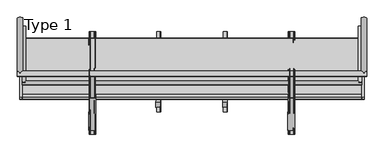
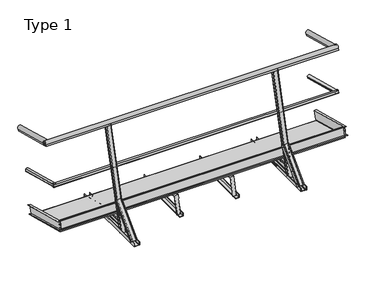
"""IFC4 building model written with IfcOpenShell, lengths in millimetres: proxy geometry, Type 1."""

from ifc_helpers import new_model, si_unit, point, frame, frame_2d, origin, place, context, project, spatial, polyline, circle_curve, ellipse_curve, trimmed, segment, composite_curve, outline, extrude, faceted_brep, source, transform, mapped, element, save
from ifc_brep_helpers import plane_surface, cylinder_surface, extruded_surface, advanced_brep


def type_1_2a36ce60(model_context):
    return source(origin(), model_context, "Body", "SolidModel", [
        extrude(outline(composite_curve([segment(polyline([(7.382727, -38.587505), (7.382727, -34.587505), (-7.3827269, -34.587505), (-7.3827269, -38.587505)]), True, "CONTINUOUS"), segment(trimmed(circle_curve(frame_2d((0.0, -20.0)), 20.0), [point((-7.3827269, -38.587505))], [point((-12.3740657, -4.287505))], False, "CARTESIAN"), True, "CONTINUOUS"), segment(polyline([(-12.3740657, -4.287505), (12.3740657, -4.287505)]), True, "CONTINUOUS"), segment(trimmed(circle_curve(frame_2d((0.0, -20.0)), 20.0), [point((12.3740657, -4.287505))], [point((7.382727, -38.587505))], False, "CARTESIAN"), True, "CONTINUOUS")], self_intersect=False)), frame((3304.287505, 749.6277407, 529.6267174), z_axis=(0.0, -0.9659258262890705, 0.2588190451025124), x_axis=(0.0, -0.2588190451025124, -0.9659258262890705)), (0.0, 0.0, 1.0), 570.0),
        extrude(outline(composite_curve([segment(trimmed(circle_curve(frame_2d((0.0, -20.0)), 20.0), [point((-7.382727, -38.587505))], [point((-12.3740657, -4.287505))], False, "CARTESIAN"), True, "CONTINUOUS"), segment(polyline([(-12.3740657, -4.287505), (12.3740657, -4.287505)]), True, "CONTINUOUS"), segment(trimmed(circle_curve(frame_2d((0.0, -20.0)), 20.0), [point((12.3740657, -4.287505))], [point((7.3827269, -38.587505))], False, "CARTESIAN"), True, "CONTINUOUS"), segment(polyline([(7.3827269, -38.587505), (7.3827269, -34.587505), (-7.382727, -34.587505), (-7.382727, -38.587505)]), True, "CONTINUOUS")], self_intersect=False)), frame((-4.287505, 749.6277407, 529.6267174), z_axis=(0.0, -0.9659258262890705, 0.2588190451025124), x_axis=(0.0, 0.2588190451025124, 0.9659258262890705)), (0.0, 0.0, 1.0), 570.0),
        extrude(outline(composite_curve([segment(polyline([(-11.43534, 0.0), (7.0, 0.0), (7.0, -1.0), (-8.0, -1.0), (-8.0, -41.0), (7.0, -41.0), (7.0, -42.0), (-11.43534, -42.0)]), True, "CONTINUOUS"), segment(trimmed(circle_curve(frame_2d((-24.9999999, -21.0)), 25.0), [point((-11.43534, -42.0))], [point((-11.43534, 0.0))], False, "CARTESIAN"), True, "CONTINUOUS")], self_intersect=False)), frame((3341.0, 826.0131859, 987.4568944), z_axis=(0.0, -0.9659258262890705, 0.2588190451025124), x_axis=(0.0, -0.2588190451025124, -0.9659258262890705)), (0.0, 0.0, 1.0), 560.0),
        extrude(outline(composite_curve([segment(polyline([(-11.43534, 0.0), (7.0, 0.0), (7.0, -1.0), (-8.0, -1.0), (-8.0, -41.0), (7.0, -41.0), (7.0, -42.0), (-11.43534, -42.0)]), True, "CONTINUOUS"), segment(trimmed(circle_curve(frame_2d((-24.9999999, -21.0)), 25.0), [point((-11.43534, -42.0))], [point((-11.43534, 0.0))], False, "CARTESIAN"), True, "CONTINUOUS")], self_intersect=False)), frame((1.0, 826.0131859, 987.4568944), z_axis=(0.0, -0.9659258262890705, 0.2588190451025124), x_axis=(0.0, -0.2588190451025124, -0.9659258262890705)), (0.0, 0.0, 1.0), 560.0),
        extrude(outline(polyline([(25.0, 0.0), (25.0, -3.0), (3.0, -3.0), (3.0, -97.0000001), (25.0, -97.0000001), (25.0, -100.0), (0.0, -100.0), (0.0, 0.0), (25.0, 0.0)])), frame((3297.0, 667.5384856, 160.2880708), z_axis=(0.0, -0.9659258262890701, 0.2588190451025139), x_axis=(1.0, 0.0, 0.0)), (0.0, 0.0, 1.0), 624.0122393),
        extrude(outline(polyline([(25.0, 0.0), (25.0, -2.9999999), (3.0, -2.9999999), (3.0, -97.0), (25.0, -97.0), (25.0, -100.0), (0.0, -100.0), (0.0, 0.0), (25.0, 0.0)])), frame((3.0, 641.6565811, 63.6954882), z_axis=(0.0, -0.9659258262890701, 0.2588190451025139), x_axis=(-1.0, 0.0, 0.0)), (0.0, 0.0, 1.0), 624.0122393),
        extrude(outline(polyline([(3298.0, 0.0), (3298.0, -598.0000001), (0.0, -598.0000001), (0.0, 0.0), (3298.0, 0.0)])), frame((1.0, 632.7941434, 42.258819), z_axis=(0.0, 0.2588190451025139, 0.9659258262890701), x_axis=(1.0, 0.0, 0.0)), (0.0, 0.0, 1.0), 13.0),
        extrude(outline(polyline([(3300.0, 0.0), (3300.0, -600.0), (0.0, -600.0), (0.0, 0.0), (3300.0, 0.0)]), holes=[polyline([(3299.0, -1.0), (1.0, -1.0), (1.0, -599.0), (3299.0, -599.0), (3299.0, -1.0)])]), frame((0.0, 633.7600692, 42.0), z_axis=(0.0, 0.2588190451025139, 0.9659258262890701), x_axis=(1.0, 0.0, 0.0)), (0.0, 0.0, 1.0), 13.0),
        extrude(outline(polyline([(38.9070433, 225.2017401), (39.6835004, 228.0995175), (60.9338686, 222.4054985), (85.2628588, 313.2025262), (64.0124906, 318.8965452), (64.7889478, 321.7943227), (88.9370934, 315.3238466), (63.0551889, 218.7312639), (38.9070433, 225.2017401)])), frame((0.0, 0.0, 0.0), z_axis=(1.0, 0.0, 0.0), x_axis=(0.0, 1.0, 0.0)), (0.0, 0.0, 1.0), 3300.0),
        extrude(outline(composite_curve([segment(trimmed(circle_curve(frame_2d((199.0500197, 677.1535731)), 20.0), [point((215.0933805, 665.2116061))], [point((180.6702711, 669.2678364))], False, "CARTESIAN"), True, "CONTINUOUS"), segment(polyline([(180.6702711, 669.2678364), (187.0755589, 693.1726956)]), True, "CONTINUOUS"), segment(trimmed(circle_curve(frame_2d((199.0500197, 677.1535731)), 20.0), [point((187.0755589, 693.1726956))], [point((218.9149612, 679.4739394))], False, "CARTESIAN"), True, "CONTINUOUS"), segment(polyline([(218.9149612, 679.4739394), (215.0512579, 680.5092156), (211.2296772, 666.2468823), (215.0933805, 665.2116061)]), True, "CONTINUOUS")], self_intersect=False)), frame((0.0, 0.0, 0.0), z_axis=(1.0, 0.0, 0.0), x_axis=(0.0, 1.0, 0.0)), (0.0, 0.0, 1.0), 3300.0),
        extrude(outline(composite_curve([segment(trimmed(circle_curve(frame_2d((291.5651993, 1156.5437053)), 25.0), [point((267.7699646, 1148.8764499))], [point((308.3388493, 1138.00605))], False, "CARTESIAN"), True, "CONTINUOUS"), segment(polyline([(308.3388493, 1138.00605), (303.5674322, 1120.1988789), (302.6015064, 1120.4576979), (306.483792, 1134.9465853), (267.846759, 1145.2993471), (263.9644733, 1130.8104598), (262.9985475, 1131.0692788), (267.7699646, 1148.8764499)]), True, "CONTINUOUS")], self_intersect=False)), frame((-45.0, 0.0, 0.0), z_axis=(1.0, 0.0, 0.0), x_axis=(0.0, 1.0, 0.0)), (0.0, 0.0, 1.0), 3390.0),
        faceted_brep([(1991.0, 633.2241708, 40.0), (1991.0, 622.871409, 1.362967), (1988.0, 622.871409, 1.362967), (1988.0, 632.4477137, 37.1022225), (1951.0, 632.4477137, 37.1022225), (1951.0, 633.2241708, 40.0), (1951.0, 19.084814, 201.4523162), (1951.0, 19.8612711, 204.3500936), (1988.0, 54.8240695, 191.8760115), (1985.0, 54.8240695, 191.8760115), (1985.0, 19.084814, 201.4523162), (1988.0, 45.2477649, 156.1367559), (1991.0, 6.6107318, 166.4895177), (1988.0, 6.6107318, 166.4895177), (1991.0, 16.9634936, 205.1265508), (1948.0, 19.8612711, 204.3500936), (1948.0, 16.9634936, 205.1265508), (1948.0, -37.1961524, 3.0), (1988.0, -37.1961524, 3.0), (1948.0, -34.0903239, 3.0), (1985.0, -34.0903239, 3.0), (1985.0, 4.2148948, 3.0), (1988.0, 4.2148948, 3.0)], [[[0, 1, 2, 3, 4, 5]], [[5, 4, 6, 7]], [[4, 3, 8, 9, 10, 6]], [[3, 2, 11, 8]], [[12, 13, 11, 2, 1]], [[14, 12, 1, 0]], [[15, 16, 14, 0, 5, 7]], [[14, 16, 17, 18, 13, 12]], [[16, 15, 19, 17]], [[19, 15, 7, 6, 10, 20]], [[21, 20, 10, 9]], [[22, 21, 9, 8, 11]], [[18, 22, 11, 13]], [[18, 17, 19, 20, 21, 22]]]),
        extrude(outline(polyline([(0.0, 1994.0), (40.0, 1994.0), (40.0, 1991.0), (3.0, 1991.0), (3.0, 1954.0), (0.0, 1954.0), (0.0, 1994.0)])), frame((0.0, -80.0, 0.0), z_axis=(0.0, 1.0, 0.0), x_axis=(0.0, 0.0, 1.0)), (0.0, 0.0, 1.0), 780.0),
        faceted_brep([(1343.0, 633.2241708, 40.0), (1343.0, 622.871409, 1.362967), (1340.0, 622.871409, 1.362967), (1340.0, 632.4477137, 37.1022225), (1303.0, 632.4477137, 37.1022225), (1303.0, 633.2241708, 40.0), (1303.0, 19.084814, 201.4523162), (1303.0, 19.8612711, 204.3500936), (1340.0, 54.8240695, 191.8760115), (1337.0, 54.8240695, 191.8760115), (1337.0, 19.084814, 201.4523162), (1340.0, 45.2477649, 156.1367559), (1343.0, 6.6107318, 166.4895177), (1340.0, 6.6107318, 166.4895177), (1343.0, 16.9634936, 205.1265508), (1300.0, 19.8612711, 204.3500936), (1300.0, 16.9634936, 205.1265508), (1300.0, -37.1961524, 3.0), (1340.0, -37.1961524, 3.0), (1300.0, -34.0903239, 3.0), (1337.0, -34.0903239, 3.0), (1337.0, 4.2148948, 3.0), (1340.0, 4.2148948, 3.0)], [[[0, 1, 2, 3, 4, 5]], [[5, 4, 6, 7]], [[4, 3, 8, 9, 10, 6]], [[3, 2, 11, 8]], [[12, 13, 11, 2, 1]], [[14, 12, 1, 0]], [[15, 16, 14, 0, 5, 7]], [[14, 16, 17, 18, 13, 12]], [[16, 15, 19, 17]], [[19, 15, 7, 6, 10, 20]], [[21, 20, 10, 9]], [[22, 21, 9, 8, 11]], [[18, 22, 11, 13]], [[18, 17, 19, 20, 21, 22]]]),
        extrude(outline(polyline([(0.0, 1346.0), (40.0, 1346.0), (40.0, 1343.0), (3.0, 1343.0), (3.0, 1306.0), (0.0, 1306.0), (0.0, 1346.0)])), frame((0.0, -80.0, 0.0), z_axis=(0.0, 1.0, 0.0), x_axis=(0.0, 0.0, 1.0)), (0.0, 0.0, 1.0), 780.0),
        advanced_brep(
        [(2640.5, -1.2948186, -9.8351237), (2645.5, -6.1244477, -8.5410284), (2645.5, -33.1703709, -1.2940952), (2640.5, -38.0, 0.0), (2594.5, -38.0, 0.0), (2589.5, -33.1703709, -1.2940952), (2589.5, -6.1244477, -8.5410284), (2594.5, -1.2948186, -9.8351237), (2640.5, 305.5178662, 1135.2054044), (2594.5, 305.5178662, 1135.2054044), (2589.5, 300.6882371, 1136.4994997), (2589.5, 273.6423139, 1143.7464329), (2594.5, 268.8126848, 1145.0405281), (2640.5, 268.8126848, 1145.0405281), (2645.5, 273.6423139, 1143.7464329), (2645.5, 300.6882371, 1136.4994997), (2640.5, 52.9091853, 192.456973), (2645.5, 48.0795562, 193.7510682), (2645.5, 48.8390459, 196.5855223), (2640.5, 53.668675, 195.2914271), (2645.5, 34.5565946, 197.3745349), (2645.5, 35.3160843, 200.208989), (2589.5, 48.8390459, 196.5855223), (2589.5, 35.3160843, 200.208989), (2589.5, 34.5565946, 197.3745349), (2589.5, 48.0795562, 193.7510682), (2594.5, 52.9091853, 192.456973), (2594.5, 53.668675, 195.2914271), (2597.907916, 52.9091853, 192.456973), (2597.907916, 52.2762773, 190.0949279), (2598.907916, 52.2762773, 190.0949279), (2598.907916, 52.9091853, 192.456973), (2635.907916, 52.9091853, 192.456973), (2635.907916, 52.2762773, 190.0949279), (2636.907916, 52.2762773, 190.0949279), (2636.907916, 52.9091853, 192.456973), (2650.0, 26.0756265, 165.7231309), (2650.0, 35.3160843, 200.208989), (2647.0, 34.5565946, 197.3745349), (2647.0, 26.0756265, 165.7231309), (2585.0, 35.3160843, 200.208989), (2585.0, 26.0756265, 165.7231309), (2588.0, 26.0756265, 165.7231309), (2588.0, 34.5565946, 197.3745349), (2647.0, 623.983713, 5.514142), (2644.0, 623.983713, 5.514142), (2644.0, 632.4646811, 37.165546), (2634.0, 632.4646811, 37.165546), (2634.0, 631.831773, 34.8035009), (2633.0, 631.831773, 34.8035009), (2633.0, 632.4646811, 37.165546), (2596.0, 632.4646811, 37.165546), (2596.0, 631.831773, 34.8035009), (2595.0, 631.831773, 34.8035009), (2595.0, 632.4646811, 37.165546), (2585.0, 632.4646811, 37.165546), (2585.0, 623.983713, 5.514142), (2582.0, 623.983713, 5.514142), (2582.0, 633.2241708, 40.0), (2647.0, 633.2241708, 40.0)],
        [
            (0, 1, circle_curve(frame((2640.5, -6.1244477, -8.5410284), z_axis=(0.0, -0.2588190451025124, -0.9659258262890706), x_axis=(0.0, -0.9659258262890706, 0.2588190451025124)), 5.0)),
            (1, 2),
            (2, 3, circle_curve(frame((2640.5, -33.1703709, -1.2940952), z_axis=(0.0, -0.2588190451025124, -0.9659258262890706), x_axis=(0.0, -0.9659258262890706, 0.2588190451025124)), 5.0)),
            (3, 4),
            (4, 5, circle_curve(frame((2594.5, -33.1703709, -1.2940952), z_axis=(0.0, -0.2588190451025124, -0.9659258262890706), x_axis=(0.0, -0.9659258262890706, 0.2588190451025124)), 5.0)),
            (5, 6),
            (6, 7, circle_curve(frame((2594.5, -6.1244477, -8.5410284), z_axis=(0.0, -0.2588190451025124, -0.9659258262890706), x_axis=(0.0, -0.9659258262890706, 0.2588190451025124)), 5.0)),
            (7, 0),
            (8, 9),
            (9, 10, circle_curve(frame((2594.5, 300.6882371, 1136.4994997), z_axis=(0.0, 0.2588190451025124, 0.9659258262890706), x_axis=(0.0, -0.9659258262890706, 0.2588190451025124)), 5.0)),
            (10, 11),
            (11, 12, circle_curve(frame((2594.5, 273.6423139, 1143.7464329), z_axis=(0.0, 0.2588190451025124, 0.9659258262890706), x_axis=(0.0, -0.9659258262890706, 0.2588190451025124)), 5.0)),
            (12, 13),
            (13, 14, circle_curve(frame((2640.5, 273.6423139, 1143.7464329), z_axis=(0.0, 0.2588190451025124, 0.9659258262890706), x_axis=(0.0, -0.9659258262890706, 0.2588190451025124)), 5.0)),
            (14, 15),
            (15, 8, circle_curve(frame((2640.5, 300.6882371, 1136.4994997), z_axis=(0.0, 0.2588190451025124, 0.9659258262890706), x_axis=(0.0, -0.9659258262890706, 0.2588190451025124)), 5.0)),
            (0, 16),
            (16, 17, circle_curve(frame((2640.5, 48.0795562, 193.7510682), z_axis=(0.0, -0.2588190451025124, -0.9659258262890706), x_axis=(0.0, -0.9659258262890706, 0.2588190451025124)), 5.0)),
            (17, 1),
            (15, 18),
            (18, 19, circle_curve(frame((2640.5, 48.8390459, 196.5855223), z_axis=(0.0, 0.2588190451025124, 0.9659258262890706), x_axis=(0.0, -0.9659258262890706, 0.2588190451025124)), 5.0)),
            (19, 8),
            (17, 20),
            (20, 21),
            (21, 18),
            (14, 2),
            (13, 3),
            (12, 4),
            (11, 5),
            (10, 22),
            (22, 23),
            (23, 24),
            (24, 25),
            (25, 6),
            (25, 26, circle_curve(frame((2594.5, 48.0795562, 193.7510682), z_axis=(0.0, -0.2588190451025124, -0.9659258262890706), x_axis=(0.0, -0.9659258262890706, 0.2588190451025124)), 5.0)),
            (26, 7),
            (9, 27),
            (27, 22, circle_curve(frame((2594.5, 48.8390459, 196.5855223), z_axis=(0.0, 0.2588190451025124, 0.9659258262890706), x_axis=(0.0, -0.9659258262890706, 0.2588190451025124)), 5.0)),
            (26, 28),
            (28, 29),
            (29, 30, ellipse_curve(frame((2598.407916, 52.2762773, 190.0949279), z_axis=(0.0, -0.9659258262890702, 0.258819045102514), x_axis=(-1.0, 0.0, 0.0)), 0.5, 0.4890738)),
            (30, 31),
            (31, 32),
            (32, 33),
            (33, 34, ellipse_curve(frame((2636.407916, 52.2762773, 190.0949279), z_axis=(0.0, -0.9659258262890702, 0.258819045102514), x_axis=(-1.0, 0.0, 0.0)), 0.5, 0.4890738)),
            (34, 35),
            (35, 16),
            (19, 27),
            (36, 37),
            (37, 21),
            (20, 38),
            (38, 39),
            (39, 36, ellipse_curve(frame((2648.5, 26.0756265, 165.7231309), z_axis=(0.0, -0.9659258262890702, 0.258819045102514), x_axis=(-1.0, 0.0, 0.0)), 1.5, 1.4672214)),
            (40, 41),
            (41, 42, ellipse_curve(frame((2586.5, 26.0756265, 165.7231309), z_axis=(0.0, -0.9659258262890702, 0.258819045102514), x_axis=(-1.0, 0.0, 0.0)), 1.5, 1.4672214)),
            (42, 43),
            (43, 24),
            (23, 40),
            (44, 45, ellipse_curve(frame((2645.5, 623.983713, 5.514142), z_axis=(0.0, 0.9659258262890702, -0.258819045102514), x_axis=(-1.0, 0.0, 0.0)), 1.5, 1.4672214)),
            (45, 46),
            (46, 47),
            (47, 48),
            (48, 49, ellipse_curve(frame((2633.5, 631.831773, 34.8035009), z_axis=(0.0, 0.9659258262890702, -0.258819045102514), x_axis=(-1.0, 0.0, 0.0)), 0.5, 0.4890738)),
            (49, 50),
            (50, 51),
            (51, 52),
            (52, 53, ellipse_curve(frame((2595.5, 631.831773, 34.8035009), z_axis=(0.0, 0.9659258262890702, -0.258819045102514), x_axis=(-1.0, 0.0, 0.0)), 0.5, 0.4890738)),
            (53, 54),
            (54, 55),
            (55, 56),
            (56, 57, ellipse_curve(frame((2583.5, 623.983713, 5.514142), z_axis=(0.0, 0.9659258262890702, -0.258819045102514), x_axis=(-1.0, 0.0, 0.0)), 1.5, 1.4672214)),
            (57, 58),
            (58, 59),
            (59, 44),
            (36, 44),
            (59, 37),
            (58, 40),
            (57, 41),
            (56, 42),
            (55, 43),
            (54, 28),
            (53, 29),
            (52, 30),
            (51, 31),
            (50, 32),
            (49, 33),
            (48, 34),
            (47, 35),
            (46, 38),
            (45, 39),
        ],
        [
            plane_surface(frame((2617.5, -38.0, 0.0), z_axis=(0.0, -0.25881904510251236, -0.9659258262890706), x_axis=(1.0, 0.0, 0.0))),
            plane_surface(frame((2617.5, 268.8126848, 1145.0405281), z_axis=(0.0, 0.25881904510251236, 0.9659258262890706), x_axis=(1.0, 0.0, 0.0))),
            cylinder_surface(frame((2640.5, -6.1244477, -8.5410284), z_axis=(0.0, -0.2588190451025124, -0.9659258262890706), x_axis=(0.0, -0.9659258262890706, 0.2588190451025124)), 5.0),
            plane_surface(frame((2645.5, -6.1244477, -8.5410284), z_axis=(1.0000000000000002, 0.0, 0.0), x_axis=(0.0, 0.2588190451025124, 0.9659258262890706))),
            cylinder_surface(frame((2640.5, -33.1703709, -1.2940952), z_axis=(0.0, -0.2588190451025124, -0.9659258262890706), x_axis=(0.0, -0.9659258262890706, 0.2588190451025124)), 5.0),
            plane_surface(frame((2640.5, -38.0, 0.0), z_axis=(0.0, -0.9659258262890706, 0.25881904510251247), x_axis=(0.0, 0.25881904510251247, 0.9659258262890706))),
            cylinder_surface(frame((2594.5, -33.1703709, -1.2940952), z_axis=(0.0, -0.2588190451025124, -0.9659258262890706), x_axis=(0.0, -0.9659258262890706, 0.2588190451025124)), 5.0),
            plane_surface(frame((2589.5, -33.1703709, -1.2940952), z_axis=(-1.0000000000000002, 0.0, 0.0), x_axis=(0.0, 0.25881904510251247, 0.9659258262890706))),
            cylinder_surface(frame((2594.5, -6.1244477, -8.5410284), z_axis=(0.0, -0.2588190451025124, -0.9659258262890706), x_axis=(0.0, -0.9659258262890706, 0.2588190451025124)), 5.0),
            plane_surface(frame((2594.5, -1.2948186, -9.8351237), z_axis=(0.0, 0.9659258262890706, -0.2588190451025124), x_axis=(0.0, 0.2588190451025124, 0.9659258262890706))),
            plane_surface(frame((2617.5, 32.3730618, 189.2254794), z_axis=(0.0, -0.9659258262890702, 0.258819045102514), x_axis=(0.0, 0.258819045102514, 0.9659258262890702))),
            plane_surface(frame((2614.5, 630.2811483, 29.0164905), z_axis=(0.0, 0.9659258262890703, -0.25881904510251375), x_axis=(0.0, 0.25881904510251375, 0.9659258262890703))),
            plane_surface(frame((2647.0, 628.6039419, 22.757071), z_axis=(0.9999882557965798, 0.004681330285588133, -0.001254358669526538), x_axis=(0.0, 0.258819045102514, 0.9659258262890702))),
            plane_surface(frame((2614.5, 633.2241708, 40.0), z_axis=(0.0, 0.25881904510251397, 0.9659258262890702), x_axis=(-1.0, 0.0, 0.0))),
            plane_surface(frame((2582.0, 628.6039419, 22.757071), z_axis=(-0.9999882557965797, -0.004681330285588134, 0.0012543586695265383), x_axis=(0.0, -0.258819045102514, -0.9659258262890702))),
            extruded_surface(trimmed(ellipse_curve(frame((2583.5, 623.983713, 5.514142), z_axis=(0.0, -0.9659258262890702, 0.258819045102514), x_axis=(-1.0, 0.0, 0.0)), 1.5, 1.4672214), [point((2582.0, 623.983713, 5.514142))], [point((2585.0, 623.983713, 5.514142))], True, "CARTESIAN"), (3.0, -597.9080865, 160.2089889), 619.007269768661),
            plane_surface(frame((2585.0, 628.224197, 21.339844), z_axis=(0.9999882557965796, 0.004681330285588132, -0.001254358669526538), x_axis=(0.0, 0.2588190451025141, 0.9659258262890702))),
            plane_surface(frame((2590.0, 632.4646811, 37.165546), z_axis=(0.0, -0.2588190451025133, -0.9659258262890703), x_axis=(1.0, 0.0, 0.0))),
            plane_surface(frame((2595.0, 632.1482271, 35.9845234), z_axis=(-0.9999882557965796, -0.004681330285588132, 0.0012543586695265383), x_axis=(0.0, -0.25881904510251413, -0.9659258262890702))),
            extruded_surface(trimmed(ellipse_curve(frame((2595.5, 631.831773, 34.8035009), z_axis=(0.0, -0.9659258262890702, 0.258819045102514), x_axis=(-1.0, 0.0, 0.0)), 0.5, 0.4890738), [point((2595.0, 631.831773, 34.8035009))], [point((2596.0, 631.831773, 34.8035009))], True, "CARTESIAN"), (3.0, -597.9080864, 160.2089889), 619.0072696720695),
            plane_surface(frame((2596.0, 632.1482271, 35.9845234), z_axis=(0.9999882557965796, 0.004681330285588133, -0.0012543586695265385), x_axis=(0.0, 0.25881904510251413, 0.9659258262890702))),
            plane_surface(frame((2614.5, 632.4646811, 37.165546), z_axis=(0.0, -0.25881904510251386, -0.9659258262890702), x_axis=(1.0, 0.0, 0.0))),
            plane_surface(frame((2633.0, 632.1482271, 35.9845234), z_axis=(-0.9999882557965796, -0.004681330285588131, 0.0012543586695265387), x_axis=(0.0, -0.25881904510251424, -0.9659258262890701))),
            extruded_surface(trimmed(ellipse_curve(frame((2633.5, 631.831773, 34.8035009), z_axis=(0.0, -0.9659258262890702, 0.258819045102514), x_axis=(-1.0, 0.0, 0.0)), 0.5, 0.4890738), [point((2633.0, 631.831773, 34.8035009))], [point((2634.0, 631.831773, 34.8035009))], True, "CARTESIAN"), (3.0, -597.9080864, 160.2089889), 619.0072696720695),
            plane_surface(frame((2634.0, 632.1482271, 35.9845234), z_axis=(0.9999882557965797, 0.004681330285588129, -0.0012543586695265372), x_axis=(0.0, 0.25881904510251413, 0.9659258262890702))),
            plane_surface(frame((2639.0, 632.4646811, 37.165546), z_axis=(0.0, -0.2588190451025138, -0.9659258262890702), x_axis=(1.0, 0.0, 0.0))),
            plane_surface(frame((2644.0, 628.224197, 21.339844), z_axis=(-0.9999882557965796, -0.004681330285588134, 0.0012543586695265383), x_axis=(0.0, -0.258819045102514, -0.9659258262890701))),
            extruded_surface(trimmed(ellipse_curve(frame((2645.5, 623.983713, 5.514142), z_axis=(0.0, -0.9659258262890702, 0.258819045102514), x_axis=(-1.0, 0.0, 0.0)), 1.5, 1.4672214), [point((2644.0, 623.983713, 5.514142))], [point((2647.0, 623.983713, 5.514142))], True, "CARTESIAN"), (3.0, -597.9080865, 160.2089889), 619.007269768661),
        ],
        [
            (0, [[1, 2, 3, 4, 5, 6, 7, 8]]),
            (1, [[9, 10, 11, 12, 13, 14, 15, 16]]),
            (2, [[-1, 17, 18, 19]]),
            (2, [[-16, 20, 21, 22]]),
            (3, [[-2, -19, 23, 24, 25, -20, -15, 26]]),
            (4, [[-3, -26, -14, 27]]),
            (5, [[-4, -27, -13, 28]]),
            (6, [[-5, -28, -12, 29]]),
            (7, [[-6, -29, -11, 30, 31, 32, 33, 34]]),
            (8, [[-7, -34, 35, 36]]),
            (8, [[-10, 37, 38, -30]]),
            (9, [[-8, -36, 39, 40, 41, 42, 43, 44, 45, 46, 47, -17]]),
            (9, [[-9, -22, 48, -37]]),
            (10, [[49, 50, -24, 51, 52, 53]]),
            (10, [[54, 55, 56, 57, -32, 58]]),
            (11, [[59, 60, 61, 62, 63, 64, 65, 66, 67, 68, 69, 70, 71, 72, 73, 74]]),
            (12, [[-49, 75, -74, 76]]),
            (13, [[-73, 77, -58, -31, -38, -48, -21, -25, -50, -76]]),
            (14, [[-54, -77, -72, 78]]),
            (15, [[-55, -78, -71, 79]]),
            (16, [[-56, -79, -70, 80]]),
            (17, [[-69, 81, -39, -35, -33, -57, -80]]),
            (18, [[-68, 82, -40, -81]]),
            (19, [[-67, 83, -41, -82]]),
            (20, [[-66, 84, -42, -83]]),
            (21, [[-65, 85, -43, -84]]),
            (22, [[-64, 86, -44, -85]]),
            (23, [[-63, 87, -45, -86]]),
            (24, [[-62, 88, -46, -87]]),
            (25, [[-61, 89, -51, -23, -18, -47, -88]]),
            (26, [[-52, -89, -60, 90]]),
            (27, [[-53, -90, -59, -75]]),
        ],
    ),
        advanced_brep(
        [(2582.0, -260.226997, 40.0), (2582.0, -234.4175995, 14.1906025), (2585.0, -234.4175995, 14.1906025), (2585.0, -258.1056766, 37.8786797), (2595.0, -258.1056766, 37.8786797), (2595.0, -256.3379097, 36.1109127), (2596.0, -256.3379097, 36.1109127), (2596.0, -258.1056766, 37.8786797), (2633.0, -258.1056766, 37.8786797), (2633.0, -256.3379097, 36.1109127), (2634.0, -256.3379097, 36.1109127), (2634.0, -258.1056766, 37.8786797), (2644.0, -258.1056766, 37.8786797), (2644.0, -234.4175995, 14.1906025), (2647.0, -234.4175995, 14.1906025), (2647.0, -260.226997, 40.0), (2585.0, 55.9710546, 356.1980516), (2650.0, 55.9710546, 356.1980516), (2650.0, 81.7804521, 330.3886541), (2647.0, 81.7804521, 330.3886541), (2647.0, 58.0923749, 354.0767312), (2637.0, 58.0923749, 354.0767312), (2637.0, 59.8601419, 352.3089643), (2636.0, 59.8601419, 352.3089643), (2636.0, 58.0923749, 354.0767312), (2599.0, 58.0923749, 354.0767312), (2599.0, 59.8601419, 352.3089643), (2598.0, 59.8601419, 352.3089643), (2598.0, 58.0923749, 354.0767312), (2588.0, 58.0923749, 354.0767312), (2588.0, 81.7804521, 330.3886541), (2585.0, 81.7804521, 330.3886541)],
        [
            (0, 1),
            (1, 2, circle_curve(frame((2583.5, -234.4175995, 14.1906025), z_axis=(0.0, -0.7071067811865435, -0.7071067811865517), x_axis=(0.0, 0.7071067811865517, -0.7071067811865435)), 1.5)),
            (2, 3),
            (3, 4),
            (4, 5),
            (5, 6, circle_curve(frame((2595.5, -256.3379097, 36.1109127), z_axis=(0.0, -0.7071067811865435, -0.7071067811865517), x_axis=(0.0, 0.7071067811865517, -0.7071067811865435)), 0.5)),
            (6, 7),
            (7, 8),
            (8, 9),
            (9, 10, circle_curve(frame((2633.5, -256.3379097, 36.1109127), z_axis=(0.0, -0.7071067811865435, -0.7071067811865517), x_axis=(0.0, 0.7071067811865517, -0.7071067811865435)), 0.5)),
            (10, 11),
            (11, 12),
            (12, 13),
            (13, 14, circle_curve(frame((2645.5, -234.4175995, 14.1906025), z_axis=(0.0, -0.7071067811865435, -0.7071067811865517), x_axis=(0.0, 0.7071067811865517, -0.7071067811865435)), 1.5)),
            (14, 15),
            (15, 0),
            (16, 17),
            (17, 18),
            (18, 19, circle_curve(frame((2648.5, 81.7804521, 330.3886541), z_axis=(0.0, 0.7071067811865435, 0.7071067811865517), x_axis=(0.0, 0.7071067811865517, -0.7071067811865435)), 1.5)),
            (19, 20),
            (20, 21),
            (21, 22),
            (22, 23, circle_curve(frame((2636.5, 59.8601419, 352.3089643), z_axis=(0.0, 0.7071067811865435, 0.7071067811865517), x_axis=(0.0, 0.7071067811865517, -0.7071067811865435)), 0.5)),
            (23, 24),
            (24, 25),
            (25, 26),
            (26, 27, circle_curve(frame((2598.5, 59.8601419, 352.3089643), z_axis=(0.0, 0.7071067811865435, 0.7071067811865517), x_axis=(0.0, 0.7071067811865517, -0.7071067811865435)), 0.5)),
            (27, 28),
            (28, 29),
            (29, 30),
            (30, 31, circle_curve(frame((2586.5, 81.7804521, 330.3886541), z_axis=(0.0, 0.7071067811865435, 0.7071067811865517), x_axis=(0.0, 0.7071067811865517, -0.7071067811865435)), 1.5)),
            (31, 16),
            (31, 1),
            (0, 16),
            (30, 2),
            (29, 3),
            (28, 4),
            (27, 5),
            (26, 6),
            (25, 7),
            (24, 8),
            (23, 9),
            (22, 10),
            (21, 11),
            (20, 12),
            (19, 13),
            (18, 14),
            (17, 15),
        ],
        [
            plane_surface(frame((2614.5, -252.0068806, 31.7798837), z_axis=(0.0, -0.7071067811865435, -0.7071067811865516), x_axis=(0.0, 0.7071067811865516, -0.7071067811865435))),
            plane_surface(frame((2617.5, 64.1911709, 347.9779352), z_axis=(0.0, 0.7071067811865439, 0.7071067811865511), x_axis=(0.0, 0.7071067811865511, -0.7071067811865439))),
            plane_surface(frame((2585.0, 68.8757533, 343.2933528), z_axis=(-0.999977496530591, 0.004743755496023067, 0.004743755496022997), x_axis=(0.0, 0.7071067811865516, -0.7071067811865435))),
            extruded_surface(trimmed(circle_curve(frame((2586.5, 81.7804521, 330.3886541), z_axis=(0.0, -0.7071067811865435, -0.7071067811865517), x_axis=(0.0, 0.7071067811865517, -0.7071067811865435)), 1.5), [point((2585.0, 81.7804521, 330.3886541))], [point((2588.0, 81.7804521, 330.3886541))], True, "CARTESIAN"), (-3.0, -316.1980516, -316.1980516), 447.18163610693193),
            plane_surface(frame((2588.0, 69.9364135, 342.2326926), z_axis=(0.999977496530591, -0.004743755496023066, -0.004743755496022997), x_axis=(0.0, -0.7071067811865517, 0.7071067811865434))),
            plane_surface(frame((2593.0, 58.0923749, 354.0767312), z_axis=(0.0, 0.7071067811865521, -0.7071067811865429), x_axis=(1.0, 0.0, 0.0))),
            plane_surface(frame((2598.0, 58.9762584, 353.1928478), z_axis=(-0.999977496530591, 0.004743755496023062, 0.004743755496023001), x_axis=(0.0, 0.7071067811865523, -0.7071067811865428))),
            extruded_surface(trimmed(circle_curve(frame((2598.5, 59.8601419, 352.3089643), z_axis=(0.0, -0.7071067811865435, -0.7071067811865517), x_axis=(0.0, 0.7071067811865517, -0.7071067811865435)), 0.5), [point((2598.0, 59.8601419, 352.3089643))], [point((2599.0, 59.8601419, 352.3089643))], True, "CARTESIAN"), (-3.0, -316.1980516, -316.1980516), 447.18163610693193),
            plane_surface(frame((2599.0, 58.9762584, 353.1928478), z_axis=(0.999977496530591, -0.004743755496023075, -0.004743755496023014), x_axis=(0.0, -0.7071067811865523, 0.7071067811865428))),
            plane_surface(frame((2617.5, 58.0923749, 354.0767312), z_axis=(0.0, 0.7071067811865521, -0.7071067811865429), x_axis=(1.0, 0.0, 0.0))),
            plane_surface(frame((2636.0, 58.9762584, 353.1928478), z_axis=(-0.999977496530591, 0.004743755496023068, 0.004743755496023007), x_axis=(0.0, 0.7071067811865523, -0.7071067811865428))),
            extruded_surface(trimmed(circle_curve(frame((2636.5, 59.8601419, 352.3089643), z_axis=(0.0, -0.7071067811865435, -0.7071067811865517), x_axis=(0.0, 0.7071067811865517, -0.7071067811865435)), 0.5), [point((2636.0, 59.8601419, 352.3089643))], [point((2637.0, 59.8601419, 352.3089643))], True, "CARTESIAN"), (-3.0, -316.1980516, -316.1980516), 447.18163610693193),
            plane_surface(frame((2637.0, 58.9762584, 353.1928478), z_axis=(0.999977496530591, -0.004743755496023074, -0.004743755496023002), x_axis=(0.0, -0.7071067811865515, 0.7071067811865436))),
            plane_surface(frame((2642.0, 58.0923749, 354.0767312), z_axis=(0.0, 0.707106781186552, -0.7071067811865431), x_axis=(1.0, 0.0, 0.0))),
            plane_surface(frame((2647.0, 69.9364135, 342.2326926), z_axis=(-0.999977496530591, 0.004743755496023072, 0.004743755496023003), x_axis=(0.0, 0.7071067811865517, -0.7071067811865434))),
            extruded_surface(trimmed(circle_curve(frame((2648.5, 81.7804521, 330.3886541), z_axis=(0.0, -0.7071067811865435, -0.7071067811865517), x_axis=(0.0, 0.7071067811865517, -0.7071067811865435)), 1.5), [point((2647.0, 81.7804521, 330.3886541))], [point((2650.0, 81.7804521, 330.3886541))], True, "CARTESIAN"), (-3.0, -316.1980516, -316.1980516), 447.18163610693193),
            plane_surface(frame((2650.0, 68.8757533, 343.2933528), z_axis=(0.999977496530591, -0.004743755496023072, -0.004743755496023004), x_axis=(0.0, -0.7071067811865517, 0.7071067811865434))),
            plane_surface(frame((2617.5, 55.9710546, 356.1980516), z_axis=(0.0, -0.7071067811865525, 0.7071067811865426), x_axis=(-1.0, 0.0, 0.0))),
        ],
        [
            (0, [[1, 2, 3, 4, 5, 6, 7, 8, 9, 10, 11, 12, 13, 14, 15, 16]]),
            (1, [[17, 18, 19, 20, 21, 22, 23, 24, 25, 26, 27, 28, 29, 30, 31, 32]]),
            (2, [[-32, 33, -1, 34]]),
            (3, [[-31, 35, -2, -33]]),
            (4, [[-30, 36, -3, -35]]),
            (5, [[-29, 37, -4, -36]]),
            (6, [[-28, 38, -5, -37]]),
            (7, [[-27, 39, -6, -38]]),
            (8, [[-26, 40, -7, -39]]),
            (9, [[-25, 41, -8, -40]]),
            (10, [[-24, 42, -9, -41]]),
            (11, [[-23, 43, -10, -42]]),
            (12, [[-22, 44, -11, -43]]),
            (13, [[-21, 45, -12, -44]]),
            (14, [[-20, 46, -13, -45]]),
            (15, [[-19, 47, -14, -46]]),
            (16, [[-18, 48, -15, -47]]),
            (17, [[-17, -34, -16, -48]]),
        ],
    ),
        extrude(outline(composite_curve([segment(polyline([(0.0, 2585.0), (0.0, 2650.0), (38.5, 2650.0)]), True, "CONTINUOUS"), segment(trimmed(circle_curve(frame_2d((38.5, 2648.5)), 1.5), [point((38.5, 2650.0))], [point((38.5, 2647.0))], False, "CARTESIAN"), True, "CONTINUOUS"), segment(polyline([(38.5, 2647.0), (3.0, 2647.0), (3.0, 2637.0), (5.5, 2637.0)]), True, "CONTINUOUS"), segment(trimmed(circle_curve(frame_2d((5.5, 2636.5)), 0.5), [point((5.5, 2637.0))], [point((5.5, 2636.0))], False, "CARTESIAN"), True, "CONTINUOUS"), segment(polyline([(5.5, 2636.0), (3.0, 2636.0), (3.0, 2599.0), (5.5, 2599.0)]), True, "CONTINUOUS"), segment(trimmed(circle_curve(frame_2d((5.5, 2598.5)), 0.5), [point((5.5, 2599.0))], [point((5.5, 2598.0))], False, "CARTESIAN"), True, "CONTINUOUS"), segment(polyline([(5.5, 2598.0), (3.0, 2598.0), (3.0, 2588.0), (38.5, 2588.0)]), True, "CONTINUOUS"), segment(trimmed(circle_curve(frame_2d((38.5, 2586.5)), 1.5), [point((38.5, 2588.0))], [point((38.5, 2585.0))], False, "CARTESIAN"), True, "CONTINUOUS"), segment(polyline([(38.5, 2585.0), (0.0, 2585.0)]), True, "CONTINUOUS")], self_intersect=False)), frame((0.0, -300.0, 0.0), z_axis=(0.0, 1.0, 0.0), x_axis=(0.0, 0.0, 1.0)), (0.0, 0.0, 1.0), 1000.0),
        advanced_brep(
        [(705.5, -1.2948186, -9.8351237), (710.5, -6.1244477, -8.5410285), (710.5, -33.1703709, -1.2940952), (705.5, -38.0, 0.0), (659.5, -38.0, 0.0), (654.5, -33.1703709, -1.2940952), (654.5, -6.1244477, -8.5410285), (659.5, -1.2948186, -9.8351237), (705.5, 305.5178662, 1135.2054044), (659.5, 305.5178662, 1135.2054044), (654.5, 300.6882371, 1136.4994996), (654.5, 273.6423139, 1143.7464329), (659.5, 268.8126848, 1145.0405281), (705.5, 268.8126848, 1145.0405281), (710.5, 273.6423139, 1143.7464329), (710.5, 300.6882371, 1136.4994996), (705.5, 52.9091853, 192.456973), (710.5, 48.0795562, 193.7510682), (710.5, 48.8390459, 196.5855223), (705.5, 53.668675, 195.2914271), (710.5, 34.5565946, 197.3745348), (710.5, 35.3160843, 200.2089889), (654.5, 48.8390459, 196.5855223), (654.5, 35.3160843, 200.2089889), (654.5, 34.5565946, 197.3745348), (654.5, 48.0795562, 193.7510682), (659.5, 52.9091853, 192.456973), (659.5, 53.668675, 195.2914271), (662.907916, 52.9091853, 192.456973), (662.907916, 52.2762773, 190.0949279), (663.907916, 52.2762773, 190.0949279), (663.907916, 52.9091853, 192.456973), (700.907916, 52.9091853, 192.456973), (700.907916, 52.2762773, 190.0949279), (701.907916, 52.2762773, 190.0949279), (701.907916, 52.9091853, 192.456973), (715.0, 26.0756265, 165.7231308), (715.0, 35.3160843, 200.2089889), (712.0, 34.5565946, 197.3745348), (712.0, 26.0756265, 165.7231308), (650.0, 35.3160843, 200.2089889), (650.0, 26.0756265, 165.7231308), (653.0, 26.0756265, 165.7231308), (653.0, 34.5565946, 197.3745348), (712.0, 623.983713, 5.5141419), (709.0, 623.983713, 5.5141419), (709.0, 632.4646811, 37.1655459), (699.0, 632.4646811, 37.1655459), (699.0, 631.831773, 34.8035008), (698.0, 631.831773, 34.8035008), (698.0, 632.4646811, 37.1655459), (661.0, 632.4646811, 37.1655459), (661.0, 631.831773, 34.8035008), (660.0, 631.831773, 34.8035008), (660.0, 632.4646811, 37.1655459), (650.0, 632.4646811, 37.1655459), (650.0, 623.983713, 5.5141419), (647.0, 623.983713, 5.5141419), (647.0, 633.2241708, 40.0), (712.0, 633.2241708, 40.0)],
        [
            (0, 1, circle_curve(frame((705.5, -6.1244477, -8.5410285), z_axis=(0.0, -0.2588190451025124, -0.9659258262890706), x_axis=(0.0, -0.9659258262890706, 0.2588190451025124)), 5.0)),
            (1, 2),
            (2, 3, circle_curve(frame((705.5, -33.1703709, -1.2940952), z_axis=(0.0, -0.2588190451025124, -0.9659258262890706), x_axis=(0.0, -0.9659258262890706, 0.2588190451025124)), 5.0)),
            (3, 4),
            (4, 5, circle_curve(frame((659.5, -33.1703709, -1.2940952), z_axis=(0.0, -0.2588190451025124, -0.9659258262890706), x_axis=(0.0, -0.9659258262890706, 0.2588190451025124)), 5.0)),
            (5, 6),
            (6, 7, circle_curve(frame((659.5, -6.1244477, -8.5410285), z_axis=(0.0, -0.2588190451025124, -0.9659258262890706), x_axis=(0.0, -0.9659258262890706, 0.2588190451025124)), 5.0)),
            (7, 0),
            (8, 9),
            (9, 10, circle_curve(frame((659.5, 300.6882371, 1136.4994996), z_axis=(0.0, 0.2588190451025124, 0.9659258262890706), x_axis=(0.0, -0.9659258262890706, 0.2588190451025124)), 5.0)),
            (10, 11),
            (11, 12, circle_curve(frame((659.5, 273.6423139, 1143.7464329), z_axis=(0.0, 0.2588190451025124, 0.9659258262890706), x_axis=(0.0, -0.9659258262890706, 0.2588190451025124)), 5.0)),
            (12, 13),
            (13, 14, circle_curve(frame((705.5, 273.6423139, 1143.7464329), z_axis=(0.0, 0.2588190451025124, 0.9659258262890706), x_axis=(0.0, -0.9659258262890706, 0.2588190451025124)), 5.0)),
            (14, 15),
            (15, 8, circle_curve(frame((705.5, 300.6882371, 1136.4994996), z_axis=(0.0, 0.2588190451025124, 0.9659258262890706), x_axis=(0.0, -0.9659258262890706, 0.2588190451025124)), 5.0)),
            (0, 16),
            (16, 17, circle_curve(frame((705.5, 48.0795562, 193.7510682), z_axis=(0.0, -0.2588190451025124, -0.9659258262890706), x_axis=(0.0, -0.9659258262890706, 0.2588190451025124)), 5.0)),
            (17, 1),
            (15, 18),
            (18, 19, circle_curve(frame((705.5, 48.8390459, 196.5855223), z_axis=(0.0, 0.2588190451025124, 0.9659258262890706), x_axis=(0.0, -0.9659258262890706, 0.2588190451025124)), 5.0)),
            (19, 8),
            (17, 20),
            (20, 21),
            (21, 18),
            (14, 2),
            (13, 3),
            (12, 4),
            (11, 5),
            (10, 22),
            (22, 23),
            (23, 24),
            (24, 25),
            (25, 6),
            (25, 26, circle_curve(frame((659.5, 48.0795562, 193.7510682), z_axis=(0.0, -0.2588190451025124, -0.9659258262890706), x_axis=(0.0, -0.9659258262890706, 0.2588190451025124)), 5.0)),
            (26, 7),
            (9, 27),
            (27, 22, circle_curve(frame((659.5, 48.8390459, 196.5855223), z_axis=(0.0, 0.2588190451025124, 0.9659258262890706), x_axis=(0.0, -0.9659258262890706, 0.2588190451025124)), 5.0)),
            (26, 28),
            (28, 29),
            (29, 30, ellipse_curve(frame((663.407916, 52.2762773, 190.0949279), z_axis=(0.0, -0.9659258262890702, 0.258819045102514), x_axis=(-1.0, 0.0, 0.0)), 0.5, 0.4890738)),
            (30, 31),
            (31, 32),
            (32, 33),
            (33, 34, ellipse_curve(frame((701.407916, 52.2762773, 190.0949279), z_axis=(0.0, -0.9659258262890702, 0.258819045102514), x_axis=(-1.0, 0.0, 0.0)), 0.5, 0.4890738)),
            (34, 35),
            (35, 16),
            (19, 27),
            (36, 37),
            (37, 21),
            (20, 38),
            (38, 39),
            (39, 36, ellipse_curve(frame((713.5, 26.0756265, 165.7231308), z_axis=(0.0, -0.9659258262890702, 0.258819045102514), x_axis=(-1.0, 0.0, 0.0)), 1.5, 1.4672214)),
            (40, 41),
            (41, 42, ellipse_curve(frame((651.5, 26.0756265, 165.7231308), z_axis=(0.0, -0.9659258262890702, 0.258819045102514), x_axis=(-1.0, 0.0, 0.0)), 1.5, 1.4672214)),
            (42, 43),
            (43, 24),
            (23, 40),
            (44, 45, ellipse_curve(frame((710.5, 623.983713, 5.5141419), z_axis=(0.0, 0.9659258262890702, -0.258819045102514), x_axis=(-1.0, 0.0, 0.0)), 1.5, 1.4672214)),
            (45, 46),
            (46, 47),
            (47, 48),
            (48, 49, ellipse_curve(frame((698.5, 631.831773, 34.8035008), z_axis=(0.0, 0.9659258262890702, -0.258819045102514), x_axis=(-1.0, 0.0, 0.0)), 0.5, 0.4890738)),
            (49, 50),
            (50, 51),
            (51, 52),
            (52, 53, ellipse_curve(frame((660.5, 631.831773, 34.8035008), z_axis=(0.0, 0.9659258262890702, -0.258819045102514), x_axis=(-1.0, 0.0, 0.0)), 0.5, 0.4890738)),
            (53, 54),
            (54, 55),
            (55, 56),
            (56, 57, ellipse_curve(frame((648.5, 623.983713, 5.5141419), z_axis=(0.0, 0.9659258262890702, -0.258819045102514), x_axis=(-1.0, 0.0, 0.0)), 1.5, 1.4672214)),
            (57, 58),
            (58, 59),
            (59, 44),
            (36, 44),
            (59, 37),
            (58, 40),
            (57, 41),
            (56, 42),
            (55, 43),
            (54, 28),
            (53, 29),
            (52, 30),
            (51, 31),
            (50, 32),
            (49, 33),
            (48, 34),
            (47, 35),
            (46, 38),
            (45, 39),
        ],
        [
            plane_surface(frame((682.5, -38.0, 0.0), z_axis=(0.0, -0.25881904510251236, -0.9659258262890706), x_axis=(1.0, 0.0, 0.0))),
            plane_surface(frame((682.5, 268.8126848, 1145.0405281), z_axis=(0.0, 0.25881904510251236, 0.9659258262890706), x_axis=(1.0, 0.0, 0.0))),
            cylinder_surface(frame((705.5, -6.1244477, -8.5410285), z_axis=(0.0, -0.2588190451025124, -0.9659258262890706), x_axis=(0.0, -0.9659258262890706, 0.2588190451025124)), 5.0),
            plane_surface(frame((710.5, -6.1244477, -8.5410285), z_axis=(1.0000000000000002, 0.0, 0.0), x_axis=(0.0, 0.2588190451025124, 0.9659258262890706))),
            cylinder_surface(frame((705.5, -33.1703709, -1.2940952), z_axis=(0.0, -0.2588190451025124, -0.9659258262890706), x_axis=(0.0, -0.9659258262890706, 0.2588190451025124)), 5.0),
            plane_surface(frame((705.5, -38.0, 0.0), z_axis=(0.0, -0.9659258262890706, 0.25881904510251247), x_axis=(0.0, 0.25881904510251247, 0.9659258262890706))),
            cylinder_surface(frame((659.5, -33.1703709, -1.2940952), z_axis=(0.0, -0.2588190451025124, -0.9659258262890706), x_axis=(0.0, -0.9659258262890706, 0.2588190451025124)), 5.0),
            plane_surface(frame((654.5, -33.1703709, -1.2940952), z_axis=(-1.0000000000000002, 0.0, 0.0), x_axis=(0.0, 0.25881904510251247, 0.9659258262890706))),
            cylinder_surface(frame((659.5, -6.1244477, -8.5410285), z_axis=(0.0, -0.2588190451025124, -0.9659258262890706), x_axis=(0.0, -0.9659258262890706, 0.2588190451025124)), 5.0),
            plane_surface(frame((659.5, -1.2948186, -9.8351237), z_axis=(0.0, 0.9659258262890706, -0.2588190451025124), x_axis=(0.0, 0.2588190451025124, 0.9659258262890706))),
            plane_surface(frame((682.5, 32.3730618, 189.2254793), z_axis=(0.0, -0.9659258262890702, 0.258819045102514), x_axis=(0.0, 0.258819045102514, 0.9659258262890702))),
            plane_surface(frame((679.5, 630.2811483, 29.0164904), z_axis=(0.0, 0.9659258262890703, -0.25881904510251375), x_axis=(0.0, 0.25881904510251375, 0.9659258262890703))),
            plane_surface(frame((712.0, 628.6039419, 22.757071), z_axis=(0.9999882557965798, 0.004681330285588133, -0.001254358669526538), x_axis=(0.0, 0.258819045102514, 0.9659258262890702))),
            plane_surface(frame((679.5, 633.2241708, 40.0), z_axis=(0.0, 0.25881904510251397, 0.9659258262890702), x_axis=(-1.0, 0.0, 0.0))),
            plane_surface(frame((647.0, 628.6039419, 22.757071), z_axis=(-0.9999882557965797, -0.004681330285588134, 0.0012543586695265383), x_axis=(0.0, -0.258819045102514, -0.9659258262890702))),
            extruded_surface(trimmed(ellipse_curve(frame((648.5, 623.983713, 5.5141419), z_axis=(0.0, -0.9659258262890702, 0.258819045102514), x_axis=(-1.0, 0.0, 0.0)), 1.5, 1.4672214), [point((647.0, 623.983713, 5.5141419))], [point((650.0, 623.983713, 5.5141419))], True, "CARTESIAN"), (3.0, -597.9080865, 160.2089889), 619.007269768661),
            plane_surface(frame((650.0, 628.224197, 21.3398439), z_axis=(0.9999882557965796, 0.004681330285588132, -0.001254358669526538), x_axis=(0.0, 0.2588190451025141, 0.9659258262890702))),
            plane_surface(frame((655.0, 632.4646811, 37.1655459), z_axis=(0.0, -0.2588190451025133, -0.9659258262890703), x_axis=(1.0, 0.0, 0.0))),
            plane_surface(frame((660.0, 632.1482271, 35.9845234), z_axis=(-0.9999882557965796, -0.004681330285588132, 0.0012543586695265383), x_axis=(0.0, -0.25881904510251413, -0.9659258262890702))),
            extruded_surface(trimmed(ellipse_curve(frame((660.5, 631.831773, 34.8035008), z_axis=(0.0, -0.9659258262890702, 0.258819045102514), x_axis=(-1.0, 0.0, 0.0)), 0.5, 0.4890738), [point((660.0, 631.831773, 34.8035008))], [point((661.0, 631.831773, 34.8035008))], True, "CARTESIAN"), (3.0, -597.9080864, 160.208989), 619.0072696979511),
            plane_surface(frame((661.0, 632.1482271, 35.9845234), z_axis=(0.9999882557965796, 0.004681330285588133, -0.0012543586695265385), x_axis=(0.0, 0.25881904510251413, 0.9659258262890702))),
            plane_surface(frame((679.5, 632.4646811, 37.1655459), z_axis=(0.0, -0.25881904510251386, -0.9659258262890702), x_axis=(1.0, 0.0, 0.0))),
            plane_surface(frame((698.0, 632.1482271, 35.9845234), z_axis=(-0.9999882557965796, -0.004681330285588131, 0.0012543586695265387), x_axis=(0.0, -0.25881904510251424, -0.9659258262890701))),
            extruded_surface(trimmed(ellipse_curve(frame((698.5, 631.831773, 34.8035008), z_axis=(0.0, -0.9659258262890702, 0.258819045102514), x_axis=(-1.0, 0.0, 0.0)), 0.5, 0.4890738), [point((698.0, 631.831773, 34.8035008))], [point((699.0, 631.831773, 34.8035008))], True, "CARTESIAN"), (3.0, -597.9080864, 160.208989), 619.0072696979511),
            plane_surface(frame((699.0, 632.1482271, 35.9845234), z_axis=(0.9999882557965797, 0.004681330285588129, -0.0012543586695265372), x_axis=(0.0, 0.25881904510251413, 0.9659258262890702))),
            plane_surface(frame((704.0, 632.4646811, 37.1655459), z_axis=(0.0, -0.2588190451025138, -0.9659258262890702), x_axis=(1.0, 0.0, 0.0))),
            plane_surface(frame((709.0, 628.224197, 21.3398439), z_axis=(-0.9999882557965796, -0.004681330285588134, 0.0012543586695265383), x_axis=(0.0, -0.258819045102514, -0.9659258262890701))),
            extruded_surface(trimmed(ellipse_curve(frame((710.5, 623.983713, 5.5141419), z_axis=(0.0, -0.9659258262890702, 0.258819045102514), x_axis=(-1.0, 0.0, 0.0)), 1.5, 1.4672214), [point((709.0, 623.983713, 5.5141419))], [point((712.0, 623.983713, 5.5141419))], True, "CARTESIAN"), (3.0, -597.9080865, 160.2089889), 619.007269768661),
        ],
        [
            (0, [[1, 2, 3, 4, 5, 6, 7, 8]]),
            (1, [[9, 10, 11, 12, 13, 14, 15, 16]]),
            (2, [[-1, 17, 18, 19]]),
            (2, [[-16, 20, 21, 22]]),
            (3, [[-2, -19, 23, 24, 25, -20, -15, 26]]),
            (4, [[-3, -26, -14, 27]]),
            (5, [[-4, -27, -13, 28]]),
            (6, [[-5, -28, -12, 29]]),
            (7, [[-6, -29, -11, 30, 31, 32, 33, 34]]),
            (8, [[-7, -34, 35, 36]]),
            (8, [[-10, 37, 38, -30]]),
            (9, [[-8, -36, 39, 40, 41, 42, 43, 44, 45, 46, 47, -17]]),
            (9, [[-9, -22, 48, -37]]),
            (10, [[49, 50, -24, 51, 52, 53]]),
            (10, [[54, 55, 56, 57, -32, 58]]),
            (11, [[59, 60, 61, 62, 63, 64, 65, 66, 67, 68, 69, 70, 71, 72, 73, 74]]),
            (12, [[-49, 75, -74, 76]]),
            (13, [[-73, 77, -58, -31, -38, -48, -21, -25, -50, -76]]),
            (14, [[-54, -77, -72, 78]]),
            (15, [[-55, -78, -71, 79]]),
            (16, [[-56, -79, -70, 80]]),
            (17, [[-69, 81, -39, -35, -33, -57, -80]]),
            (18, [[-68, 82, -40, -81]]),
            (19, [[-67, 83, -41, -82]]),
            (20, [[-66, 84, -42, -83]]),
            (21, [[-65, 85, -43, -84]]),
            (22, [[-64, 86, -44, -85]]),
            (23, [[-63, 87, -45, -86]]),
            (24, [[-62, 88, -46, -87]]),
            (25, [[-61, 89, -51, -23, -18, -47, -88]]),
            (26, [[-52, -89, -60, 90]]),
            (27, [[-53, -90, -59, -75]]),
        ],
    ),
        advanced_brep(
        [(647.0, -260.226997, 40.0), (647.0, -234.4175995, 14.1906025), (650.0, -234.4175995, 14.1906025), (650.0, -258.1056766, 37.8786797), (660.0, -258.1056766, 37.8786797), (660.0, -256.3379097, 36.1109127), (661.0, -256.3379097, 36.1109127), (661.0, -258.1056766, 37.8786797), (698.0, -258.1056766, 37.8786797), (698.0, -256.3379097, 36.1109127), (699.0, -256.3379097, 36.1109127), (699.0, -258.1056766, 37.8786797), (709.0, -258.1056766, 37.8786797), (709.0, -234.4175995, 14.1906025), (712.0, -234.4175995, 14.1906025), (712.0, -260.226997, 40.0), (650.0, 55.9710546, 356.1980515), (715.0, 55.9710546, 356.1980515), (715.0, 81.7804521, 330.388654), (712.0, 81.7804521, 330.388654), (712.0, 58.0923749, 354.0767312), (702.0, 58.0923749, 354.0767312), (702.0, 59.8601419, 352.3089642), (701.0, 59.8601419, 352.3089642), (701.0, 58.0923749, 354.0767312), (664.0, 58.0923749, 354.0767312), (664.0, 59.8601419, 352.3089642), (663.0, 59.8601419, 352.3089642), (663.0, 58.0923749, 354.0767312), (653.0, 58.0923749, 354.0767312), (653.0, 81.7804521, 330.388654), (650.0, 81.7804521, 330.388654)],
        [
            (0, 1),
            (1, 2, circle_curve(frame((648.5, -234.4175995, 14.1906025), z_axis=(0.0, -0.7071067811865435, -0.7071067811865517), x_axis=(0.0, 0.7071067811865517, -0.7071067811865435)), 1.5)),
            (2, 3),
            (3, 4),
            (4, 5),
            (5, 6, circle_curve(frame((660.5, -256.3379097, 36.1109127), z_axis=(0.0, -0.7071067811865435, -0.7071067811865517), x_axis=(0.0, 0.7071067811865517, -0.7071067811865435)), 0.5)),
            (6, 7),
            (7, 8),
            (8, 9),
            (9, 10, circle_curve(frame((698.5, -256.3379097, 36.1109127), z_axis=(0.0, -0.7071067811865435, -0.7071067811865517), x_axis=(0.0, 0.7071067811865517, -0.7071067811865435)), 0.5)),
            (10, 11),
            (11, 12),
            (12, 13),
            (13, 14, circle_curve(frame((710.5, -234.4175995, 14.1906025), z_axis=(0.0, -0.7071067811865435, -0.7071067811865517), x_axis=(0.0, 0.7071067811865517, -0.7071067811865435)), 1.5)),
            (14, 15),
            (15, 0),
            (16, 17),
            (17, 18),
            (18, 19, circle_curve(frame((713.5, 81.7804521, 330.388654), z_axis=(0.0, 0.7071067811865435, 0.7071067811865517), x_axis=(0.0, 0.7071067811865517, -0.7071067811865435)), 1.5)),
            (19, 20),
            (20, 21),
            (21, 22),
            (22, 23, circle_curve(frame((701.5, 59.8601419, 352.3089642), z_axis=(0.0, 0.7071067811865435, 0.7071067811865517), x_axis=(0.0, 0.7071067811865517, -0.7071067811865435)), 0.5)),
            (23, 24),
            (24, 25),
            (25, 26),
            (26, 27, circle_curve(frame((663.5, 59.8601419, 352.3089642), z_axis=(0.0, 0.7071067811865435, 0.7071067811865517), x_axis=(0.0, 0.7071067811865517, -0.7071067811865435)), 0.5)),
            (27, 28),
            (28, 29),
            (29, 30),
            (30, 31, circle_curve(frame((651.5, 81.7804521, 330.388654), z_axis=(0.0, 0.7071067811865435, 0.7071067811865517), x_axis=(0.0, 0.7071067811865517, -0.7071067811865435)), 1.5)),
            (31, 16),
            (31, 1),
            (0, 16),
            (30, 2),
            (29, 3),
            (28, 4),
            (27, 5),
            (26, 6),
            (25, 7),
            (24, 8),
            (23, 9),
            (22, 10),
            (21, 11),
            (20, 12),
            (19, 13),
            (18, 14),
            (17, 15),
        ],
        [
            plane_surface(frame((679.5, -252.0068806, 31.7798837), z_axis=(0.0, -0.7071067811865435, -0.7071067811865516), x_axis=(0.0, 0.7071067811865516, -0.7071067811865435))),
            plane_surface(frame((682.5, 64.1911709, 347.9779352), z_axis=(0.0, 0.7071067811865439, 0.7071067811865511), x_axis=(0.0, 0.7071067811865511, -0.7071067811865439))),
            plane_surface(frame((650.0, 68.8757533, 343.2933528), z_axis=(-0.999977496530591, 0.004743755496023067, 0.004743755496022997), x_axis=(0.0, 0.7071067811865516, -0.7071067811865435))),
            extruded_surface(trimmed(circle_curve(frame((651.5, 81.7804521, 330.388654), z_axis=(0.0, -0.7071067811865435, -0.7071067811865517), x_axis=(0.0, 0.7071067811865517, -0.7071067811865435)), 1.5), [point((650.0, 81.7804521, 330.388654))], [point((653.0, 81.7804521, 330.388654))], True, "CARTESIAN"), (-3.0, -316.1980516, -316.19805149999996), 447.18163603622287),
            plane_surface(frame((653.0, 69.9364135, 342.2326926), z_axis=(0.999977496530591, -0.004743755496023066, -0.004743755496022997), x_axis=(0.0, -0.7071067811865517, 0.7071067811865434))),
            plane_surface(frame((658.0, 58.0923749, 354.0767312), z_axis=(0.0, 0.7071067811865521, -0.7071067811865429), x_axis=(1.0, 0.0, 0.0))),
            plane_surface(frame((663.0, 58.9762584, 353.1928477), z_axis=(-0.999977496530591, 0.004743755496023062, 0.004743755496023001), x_axis=(0.0, 0.7071067811865523, -0.7071067811865428))),
            extruded_surface(trimmed(circle_curve(frame((663.5, 59.8601419, 352.3089642), z_axis=(0.0, -0.7071067811865435, -0.7071067811865517), x_axis=(0.0, 0.7071067811865517, -0.7071067811865435)), 0.5), [point((663.0, 59.8601419, 352.3089642))], [point((664.0, 59.8601419, 352.3089642))], True, "CARTESIAN"), (-3.0, -316.1980516, -316.1980515), 447.18163603622287),
            plane_surface(frame((664.0, 58.9762584, 353.1928477), z_axis=(0.999977496530591, -0.004743755496023075, -0.004743755496023014), x_axis=(0.0, -0.7071067811865523, 0.7071067811865428))),
            plane_surface(frame((682.5, 58.0923749, 354.0767312), z_axis=(0.0, 0.7071067811865521, -0.7071067811865429), x_axis=(1.0, 0.0, 0.0))),
            plane_surface(frame((701.0, 58.9762584, 353.1928477), z_axis=(-0.999977496530591, 0.004743755496023068, 0.004743755496023007), x_axis=(0.0, 0.7071067811865523, -0.7071067811865428))),
            extruded_surface(trimmed(circle_curve(frame((701.5, 59.8601419, 352.3089642), z_axis=(0.0, -0.7071067811865435, -0.7071067811865517), x_axis=(0.0, 0.7071067811865517, -0.7071067811865435)), 0.5), [point((701.0, 59.8601419, 352.3089642))], [point((702.0, 59.8601419, 352.3089642))], True, "CARTESIAN"), (-3.0, -316.1980516, -316.1980515), 447.18163603622287),
            plane_surface(frame((702.0, 58.9762584, 353.1928477), z_axis=(0.999977496530591, -0.004743755496023074, -0.004743755496023002), x_axis=(0.0, -0.7071067811865515, 0.7071067811865436))),
            plane_surface(frame((707.0, 58.0923749, 354.0767312), z_axis=(0.0, 0.707106781186552, -0.7071067811865431), x_axis=(1.0, 0.0, 0.0))),
            plane_surface(frame((712.0, 69.9364135, 342.2326926), z_axis=(-0.999977496530591, 0.004743755496023072, 0.004743755496023003), x_axis=(0.0, 0.7071067811865517, -0.7071067811865434))),
            extruded_surface(trimmed(circle_curve(frame((713.5, 81.7804521, 330.388654), z_axis=(0.0, -0.7071067811865435, -0.7071067811865517), x_axis=(0.0, 0.7071067811865517, -0.7071067811865435)), 1.5), [point((712.0, 81.7804521, 330.388654))], [point((715.0, 81.7804521, 330.388654))], True, "CARTESIAN"), (-3.0, -316.1980516, -316.19805149999996), 447.18163603622287),
            plane_surface(frame((715.0, 68.8757533, 343.2933528), z_axis=(0.999977496530591, -0.004743755496023072, -0.004743755496023004), x_axis=(0.0, -0.7071067811865517, 0.7071067811865434))),
            plane_surface(frame((682.5, 55.9710546, 356.1980515), z_axis=(0.0, -0.7071067811865525, 0.7071067811865426), x_axis=(-1.0, 0.0, 0.0))),
        ],
        [
            (0, [[1, 2, 3, 4, 5, 6, 7, 8, 9, 10, 11, 12, 13, 14, 15, 16]]),
            (1, [[17, 18, 19, 20, 21, 22, 23, 24, 25, 26, 27, 28, 29, 30, 31, 32]]),
            (2, [[-32, 33, -1, 34]]),
            (3, [[-31, 35, -2, -33]]),
            (4, [[-30, 36, -3, -35]]),
            (5, [[-29, 37, -4, -36]]),
            (6, [[-28, 38, -5, -37]]),
            (7, [[-27, 39, -6, -38]]),
            (8, [[-26, 40, -7, -39]]),
            (9, [[-25, 41, -8, -40]]),
            (10, [[-24, 42, -9, -41]]),
            (11, [[-23, 43, -10, -42]]),
            (12, [[-22, 44, -11, -43]]),
            (13, [[-21, 45, -12, -44]]),
            (14, [[-20, 46, -13, -45]]),
            (15, [[-19, 47, -14, -46]]),
            (16, [[-18, 48, -15, -47]]),
            (17, [[-17, -34, -16, -48]]),
        ],
    ),
        extrude(outline(composite_curve([segment(polyline([(0.0, 650.0), (0.0, 715.0), (38.5, 715.0)]), True, "CONTINUOUS"), segment(trimmed(circle_curve(frame_2d((38.5, 713.5)), 1.5), [point((38.5, 715.0))], [point((38.5, 712.0))], False, "CARTESIAN"), True, "CONTINUOUS"), segment(polyline([(38.5, 712.0), (3.0, 712.0), (3.0, 702.0), (5.5, 702.0)]), True, "CONTINUOUS"), segment(trimmed(circle_curve(frame_2d((5.5, 701.5)), 0.5), [point((5.5, 702.0))], [point((5.5, 701.0))], False, "CARTESIAN"), True, "CONTINUOUS"), segment(polyline([(5.5, 701.0), (3.0, 701.0), (3.0, 664.0), (5.5, 664.0)]), True, "CONTINUOUS"), segment(trimmed(circle_curve(frame_2d((5.5, 663.5)), 0.5), [point((5.5, 664.0))], [point((5.5, 663.0))], False, "CARTESIAN"), True, "CONTINUOUS"), segment(polyline([(5.5, 663.0), (3.0, 663.0), (3.0, 653.0), (38.5, 653.0)]), True, "CONTINUOUS"), segment(trimmed(circle_curve(frame_2d((38.5, 651.5)), 1.5), [point((38.5, 653.0))], [point((38.5, 650.0))], False, "CARTESIAN"), True, "CONTINUOUS"), segment(polyline([(38.5, 650.0), (0.0, 650.0)]), True, "CONTINUOUS")], self_intersect=False)), frame((0.0, -300.0, 0.0), z_axis=(0.0, 1.0, 0.0), x_axis=(0.0, 0.0, 1.0)), (0.0, 0.0, 1.0), 1000.0),
    ])


if __name__ == "__main__":
    model = new_model("IFC4")
    model_context = context("Model", 3, world=origin())
    ifc_project = project(units=[si_unit("LENGTHUNIT", "METRE", prefix="MILLI")], contexts=[model_context])
    site = spatial("IfcSite", under=ifc_project)
    building = spatial("IfcBuilding", under=site)
    placement = place(None, origin())
    type_1_shape = type_1_2a36ce60(model_context)
    element("IfcBuildingElementProxy", 1, Name="Type 1", ObjectType="Type 1", at=placement, inside=building, context=model_context, shape_type="MappedRepresentation", body=[
        mapped(type_1_shape, transform((0.0, 0.0, 0.0), x_axis=(1.0, 0.0, 0.0), y_axis=(0.0, 1.0, 0.0), z_axis=(0.0, 0.0, 1.0))),
    ])
    save(model, "model.ifc")
